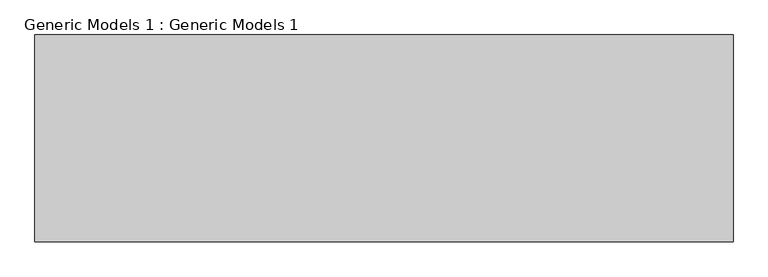
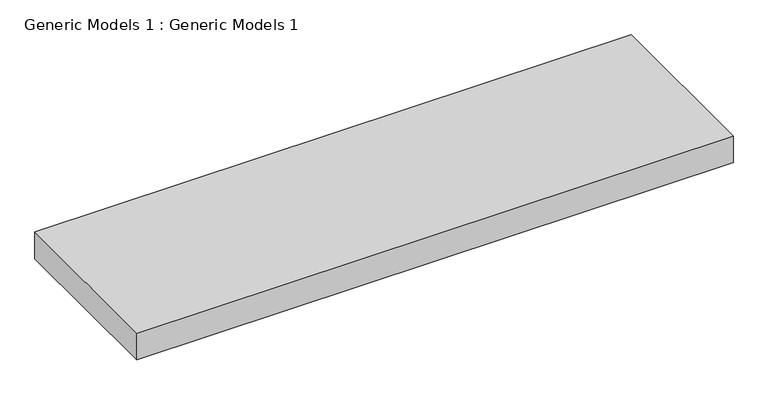
"""IFC4 building model written with IfcOpenShell, lengths in millimetres: proxy geometry, Generic Models 1 : Generic Models 1."""

from ifc_helpers import new_model, si_unit, frame, origin, place, context, project, spatial, polyline, outline, extrude, source, transform, mapped, element, save


def generic_models_1_generic_models_1_a6895fd5(model_context):
    return source(origin(), model_context, "Body", "SweptSolid", [
        extrude(outline(polyline([(7799.7517066, -7469.8437175), (7799.7517066, -8269.9028123), (5099.7517066, -8269.9028123), (5099.7517066, -7469.8437175), (7799.7517066, -7469.8437175)])), frame((0.0, 0.0, -5346.5934704), z_axis=(0.0, 0.0, 1.0), x_axis=(1.0, 0.0, 0.0)), (0.0, 0.0, 1.0), 127.6545138),
    ])


if __name__ == "__main__":
    model = new_model("IFC4")
    model_context = context("Model", 3, world=origin())
    ifc_project = project(units=[si_unit("LENGTHUNIT", "METRE", prefix="MILLI")], contexts=[model_context])
    site = spatial("IfcSite", under=ifc_project)
    building = spatial("IfcBuilding", under=site)
    placement = place(None, origin())
    generic_models_1_generic_models_1_shape = generic_models_1_generic_models_1_a6895fd5(model_context)
    element("IfcBuildingElementProxy", 1, Name="Generic Models 1 : Generic Models 1", ObjectType="Generic Models 1 : Generic Models 1", at=placement, inside=building, context=model_context, shape_type="MappedRepresentation", body=[
        mapped(generic_models_1_generic_models_1_shape, transform((0.0, 0.0, 0.0), x_axis=(1.0, 0.0, 0.0), y_axis=(0.0, 1.0, 0.0), z_axis=(0.0, 0.0, 1.0))),
    ])
    save(model, "model.ifc")
